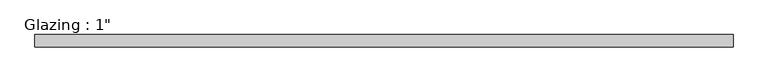
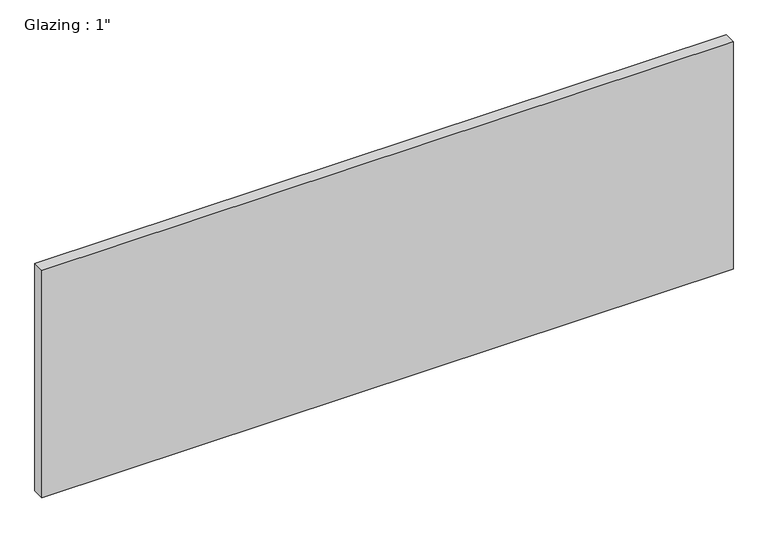
"""IFC4 building model written with IfcOpenShell, lengths in millimetres: plate geometry."""

from ifc_helpers import new_model, si_unit, origin, origin_with_axes, place, context, project, spatial, polyline, outline, extrude, source, transform, mapped, element, save


def plate_4d9d55ea(model_context):
    return source(origin(), model_context, "Body", "SweptSolid", [
        extrude(outline(polyline([(715.4631955, -12.7), (-715.4631955, -12.7), (-715.4631955, 12.7), (715.4631955, 12.7), (715.4631955, -12.7)])), origin_with_axes(), (0.0, 0.0, 1.0), 497.9851068),
    ])


if __name__ == "__main__":
    model = new_model("IFC4")
    model_context = context("Model", 3, world=origin())
    ifc_project = project(units=[si_unit("LENGTHUNIT", "METRE", prefix="MILLI")], contexts=[model_context])
    site = spatial("IfcSite", under=ifc_project)
    building = spatial("IfcBuilding", under=site)
    placement = place(None, origin())
    plate_shape = plate_4d9d55ea(model_context)
    element("IfcPlate", 1, ObjectType="Glazing : 1\"", at=placement, inside=building, context=model_context, shape_type="MappedRepresentation", body=[
        mapped(plate_shape, transform((0.0, 0.0, 0.0), x_axis=(1.0, 0.0, 0.0), y_axis=(0.0, 1.0, 0.0), z_axis=(0.0, 0.0, 1.0))),
    ])
    save(model, "model.ifc")
